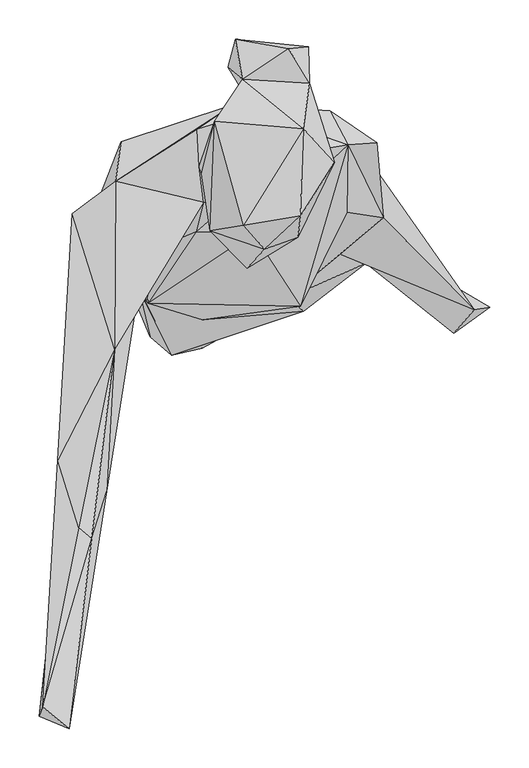
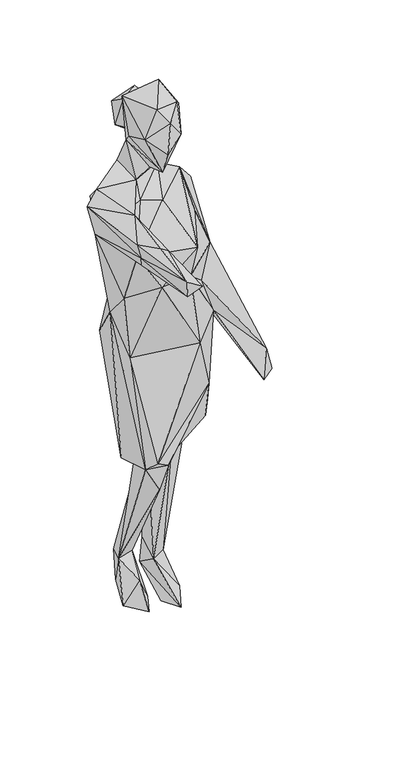
"""IFC4 building model written with IfcOpenShell, lengths in millimetres: geographic element geometry."""

from ifc_helpers import new_model, si_unit, origin, place, context, project, spatial, faceted_brep, source, transform, mapped, element, save


def geographic_element_270b95d4(model_context):
    return source(origin(), model_context, "Body", "Brep", [
        faceted_brep([(-127.8239026, -6.9609237, 1109.1649395), (-104.2994397, -39.650205, 1262.2406327), (-171.9077506, 81.6794177, 1292.9090102), (89.9855632, -43.8928226, 1232.3571291), (29.7958605, 49.1712311, 1359.8418068), (-109.6673892, 23.6239598, 1374.2213079), (-42.9376396, 51.3253727, 1383.1294604), (-34.7230318, -60.7200332, 1148.5335685), (-150.6140511, 33.2753282, 1047.8110184), (-116.6113973, -20.8469534, 910.2353341), (94.2640069, -49.8189622, 905.3798206), (74.1234934, -32.7648963, 1130.4954151), (-74.2687648, -105.9272351, 581.3376832), (-101.6667026, -82.6365938, 555.927687), (173.6221143, 11.339858, 952.1192791), (157.3292147, 9.0364654, 708.0690177), (-35.6553342, -97.2400072, 557.5405886), (21.513594, -52.3044423, 574.6602941), (162.5061462, 35.746872, 579.3446827), (169.0660843, 79.3262785, 957.9270364), (206.1273281, 99.8409006, 580.1585841), (113.6702211, 43.5376162, 573.1200505), (145.7674783, 159.0266655, 581.6749858), (14.3278034, 34.8692942, 584.7185778), (74.6070584, 76.661705, 474.5398105), (138.7667639, 108.5589738, 524.0224535), (47.3931836, 184.1779179, 580.8023739), (165.7885889, 134.4634427, 818.5602921), (104.8038961, 154.8546981, 571.8215633), (-70.1773754, 100.5851465, 692.1691213), (-39.4412572, 180.2497335, 888.1168256), (92.2899533, 173.4599301, 952.0516278), (31.7181717, 149.1733175, 582.4947881), (-127.1632298, 11.3756786, 548.8881997), (-6.1858296, 118.4680373, 568.6505963), (23.1702455, 131.8496151, 551.5010289), (16.8928763, 77.3462569, 110.5738194), (56.3251779, 181.317357, 424.2104239), (25.4159287, 156.4009021, 135.0982471), (-86.8105654, 7.7031841, 529.2919213), (0.4925182, -6.115186, 444.4603567), (-69.1008038, 126.084654, 112.6722531), (-55.6267009, 67.5824574, 420.8284564), (-60.8284876, -91.7088825, 478.3734918), (-18.024178, 138.5040862, 115.725866), (-51.5452654, 184.5470793, 104.6437087), (-15.7118289, 54.0018857, 7.2832996), (-66.465079, 148.001222, 26.5671291), (-30.896315, 159.4913135, 9.4274952), (-42.9615187, 54.3899306, 71.4967316), (-58.811649, -28.7232638, 18.3216778), (-95.0968105, 55.6117736, 1.7919702), (-133.1520511, 121.8599513, 923.9810591), (-123.415111, 88.1906066, 1067.617284), (-22.0309866, 115.0701628, 1063.290106), (-139.2135007, 166.062204, 1361.8438076), (-62.6622431, 180.8357663, 1202.2170872), (51.6497375, 166.5467748, 1183.242664), (58.656431, 102.0577388, 1091.1228522), (4.2844107, 213.6444423, 1375.5993673), (127.989067, 205.9442524, 1267.6811062), (-145.9833962, 116.0581843, 1417.1252076), (-42.1963739, 182.0436843, 1442.4226106), (69.138608, 148.9723306, 1415.3809372), (150.6658029, 162.4116132, 1362.938268), (-201.3553654, 74.208065, 1400.9496993), (-147.3315936, -98.5155838, 1457.6101123), (-33.7877456, 88.89605, 1426.4342609), (-205.455703, -236.6296322, 1414.8057524), (-220.1795253, -240.3648168, 1468.8255605), (-243.7189042, -566.753142, 1495.0961882), (-239.0026719, -554.9386671, 1536.7016602), (-207.8138415, -242.5368696, 1394.0026588), (-193.1676394, -326.7266114, 1497.1558863), (-205.5044596, -582.864933, 1527.6152899), (-176.418034, -340.6902808, 1492.6127011), (-199.4539624, -268.4940663, 1417.7540365), (-180.3462334, -276.5504684, 1434.0129913), (-155.1880072, 29.7650132, 1340.4116465), (-157.5859319, -279.6210016, 1450.9179413), (-39.3119077, 134.5062239, 1539.8983765), (5.7161967, 82.2286521, 1461.8598042), (107.1401225, 118.4431672, 1532.7285339), (32.327104, 205.4218922, 1504.9713664), (88.5149751, 217.772645, 1531.5087844), (16.1486285, 245.9596216, 1593.2038826), (-2.2347392, 261.0804108, 1500.6403738), (48.7821878, 236.4157111, 1473.477107), (100.5990865, 287.7092326, 1546.8046474), (101.8169435, 241.0254896, 1565.4089257), (59.6534081, 285.468545, 1502.6083999), (7.0743527, 297.168579, 1558.2370565), (74.7174984, 284.8436797, 1595.4465669), (93.9267043, 182.7431597, 1671.7918905), (133.7182058, 140.1428265, 1603.400449), (-19.2808432, 192.2950423, 1648.821572), (17.7087651, 59.6165948, 1667.6617655), (90.3477434, 71.5554348, 1662.1374879), (86.7120613, 44.5345933, 1571.0524126), (21.5852314, 4.9868714, 1545.1381016), (14.7914661, 24.7194391, 1474.2173966), (44.2181857, 28.755102, 1631.1455763), (-25.1910628, 52.4198593, 1583.8360591), (-35.9826829, 125.2339467, 1555.5008458), (149.4459491, 76.5641993, 1269.5159755), (196.1028552, 69.2669666, 1143.3486797), (187.8265417, 164.8851464, 1315.2981834), (141.2661654, 22.8856799, 1059.9031317), (312.0366594, -48.1891775, 808.0641527), (183.9152552, 134.4664378, 1149.0021802), (285.4854429, -17.2053033, 759.7635891), (286.258545, -78.0507018, 727.6523619), (331.7801613, -44.8529901, 731.7039876), (312.1948502, -40.1765513, 711.3296302), (2.7272575, 132.7480806, 73.8409152), (34.1210659, -46.5971971, 12.6840862), (81.3948502, 42.0948858, 15.9376895), (57.7291057, 95.0132299, 116.844228), (7.7807926, 20.1932469, 3.6824441), (55.233679, 145.341633, 42.4361633), (105.5600779, 177.4757035, 419.3499036), (63.6204175, 140.5826045, 91.0850231)], [[[0, 1, 2]], [[1, 3, 4]], [[2, 1, 5]], [[6, 5, 1]], [[6, 1, 4]], [[7, 1, 0]], [[3, 1, 7]], [[0, 2, 8]], [[0, 8, 9]], [[0, 9, 7]], [[9, 10, 7]], [[10, 11, 7]], [[7, 11, 3]], [[12, 10, 9]], [[9, 8, 13]], [[12, 9, 13]], [[10, 14, 11]], [[10, 12, 15]], [[15, 14, 10]], [[13, 16, 12]], [[16, 15, 12]], [[17, 18, 15]], [[19, 15, 20]], [[17, 15, 16]], [[20, 15, 18]], [[14, 15, 19]], [[17, 21, 18]], [[18, 21, 22]], [[22, 20, 18]], [[17, 23, 21]], [[17, 16, 23]], [[23, 24, 21]], [[21, 24, 25]], [[22, 21, 25]], [[22, 26, 27]], [[22, 27, 20]], [[22, 28, 26]], [[25, 28, 22]], [[20, 27, 19]], [[27, 29, 30]], [[31, 27, 30]], [[26, 29, 27]], [[27, 31, 19]], [[32, 29, 26]], [[32, 26, 28]], [[33, 30, 29]], [[29, 34, 33]], [[32, 34, 29]], [[32, 28, 35]], [[32, 35, 34]], [[33, 34, 23]], [[35, 23, 34]], [[36, 24, 35]], [[23, 35, 24]], [[35, 37, 38]], [[28, 37, 35]], [[36, 35, 38]], [[23, 39, 33]], [[23, 16, 40]], [[40, 39, 23]], [[41, 13, 39]], [[39, 13, 33]], [[42, 39, 40]], [[41, 39, 42]], [[8, 33, 13]], [[13, 41, 43]], [[16, 13, 43]], [[43, 40, 16]], [[44, 40, 43]], [[41, 44, 43]], [[40, 45, 42]], [[40, 44, 45]], [[42, 45, 41]], [[45, 44, 46]], [[47, 41, 45]], [[47, 45, 48]], [[48, 45, 46]], [[44, 41, 49]], [[49, 46, 44]], [[50, 46, 49]], [[51, 47, 46]], [[47, 48, 46]], [[50, 51, 46]], [[51, 41, 47]], [[49, 41, 51]], [[50, 49, 51]], [[8, 52, 33]], [[2, 53, 8]], [[8, 53, 52]], [[52, 30, 33]], [[52, 53, 30]], [[30, 53, 54]], [[53, 2, 55]], [[54, 53, 56]], [[53, 55, 56]], [[30, 54, 31]], [[57, 54, 56]], [[31, 54, 58]], [[58, 54, 57]], [[55, 59, 56]], [[60, 56, 59]], [[60, 57, 56]], [[59, 55, 61]], [[2, 61, 55]], [[61, 62, 59]], [[63, 59, 62]], [[60, 59, 64]], [[59, 63, 64]], [[65, 61, 2]], [[66, 61, 65]], [[66, 67, 61]], [[61, 67, 62]], [[68, 65, 2]], [[65, 68, 69]], [[69, 66, 65]], [[68, 70, 71]], [[70, 68, 72]], [[69, 68, 71]], [[72, 68, 2]], [[66, 69, 73]], [[73, 69, 71]], [[70, 74, 71]], [[75, 71, 74]], [[71, 75, 73]], [[76, 74, 70]], [[72, 76, 70]], [[2, 76, 72]], [[74, 76, 77]], [[76, 2, 78]], [[77, 76, 78]], [[75, 74, 79]], [[79, 74, 77]], [[75, 66, 73]], [[79, 66, 75]], [[66, 79, 5]], [[79, 78, 5]], [[78, 79, 77]], [[2, 5, 78]], [[66, 5, 67]], [[5, 6, 67]], [[62, 67, 80]], [[67, 63, 81]], [[81, 80, 67]], [[67, 6, 63]], [[6, 4, 63]], [[81, 63, 82]], [[63, 83, 82]], [[4, 64, 63]], [[63, 62, 83]], [[80, 83, 62]], [[84, 82, 83]], [[80, 85, 83]], [[83, 85, 86]], [[87, 84, 83]], [[87, 83, 86]], [[88, 84, 87]], [[89, 82, 84]], [[89, 84, 88]], [[87, 86, 90]], [[88, 87, 90]], [[86, 91, 90]], [[85, 91, 86]], [[88, 90, 91]], [[88, 92, 89]], [[88, 91, 92]], [[85, 93, 89]], [[89, 94, 82]], [[94, 89, 93]], [[92, 85, 89]], [[92, 91, 85]], [[80, 95, 85]], [[93, 85, 95]], [[95, 96, 93]], [[96, 97, 93]], [[93, 97, 94]], [[98, 82, 94]], [[98, 94, 97]], [[82, 98, 81]], [[99, 100, 98]], [[100, 81, 98]], [[101, 98, 97]], [[99, 98, 101]], [[97, 96, 101]], [[101, 96, 102]], [[102, 96, 95]], [[102, 99, 101]], [[100, 99, 102]], [[100, 102, 103]], [[100, 80, 81]], [[100, 103, 80]], [[103, 102, 95]], [[103, 95, 80]], [[64, 4, 3]], [[64, 3, 104]], [[104, 3, 11]], [[64, 104, 105]], [[106, 60, 64]], [[64, 105, 106]], [[11, 105, 104]], [[14, 107, 11]], [[107, 105, 11]], [[108, 105, 107]], [[105, 109, 106]], [[109, 105, 108]], [[106, 109, 60]], [[57, 60, 58]], [[58, 60, 109]], [[108, 19, 109]], [[19, 31, 109]], [[109, 31, 58]], [[108, 110, 19]], [[111, 19, 110]], [[111, 14, 19]], [[112, 110, 108]], [[112, 113, 110]], [[110, 113, 111]], [[108, 14, 111]], [[112, 108, 111]], [[112, 111, 113]], [[107, 14, 108]], [[114, 115, 36]], [[36, 115, 116]], [[36, 38, 114]], [[117, 36, 116]], [[24, 36, 117]], [[118, 116, 115]], [[115, 114, 118]], [[119, 114, 38]], [[114, 119, 118]], [[120, 121, 38]], [[38, 121, 119]], [[38, 37, 120]], [[119, 121, 116]], [[118, 119, 116]], [[116, 121, 117]], [[24, 117, 25]], [[117, 121, 25]], [[121, 120, 25]], [[25, 120, 28]], [[120, 37, 28]]]),
    ])


if __name__ == "__main__":
    model = new_model("IFC4")
    model_context = context("Model", 3, world=origin())
    ifc_project = project(units=[si_unit("LENGTHUNIT", "METRE", prefix="MILLI")], contexts=[model_context])
    site = spatial("IfcSite", under=ifc_project)
    building = spatial("IfcBuilding", under=site)
    placement = place(None, origin())
    geographic_element_shape = geographic_element_270b95d4(model_context)
    element("IfcGeographicElement", 1, at=placement, inside=building, context=model_context, shape_type="MappedRepresentation", body=[
        mapped(geographic_element_shape, transform((0.0, 0.0, 0.0), x_axis=(1.0, 0.0, 0.0), y_axis=(0.0, 1.0, 0.0), z_axis=(0.0, 0.0, 1.0))),
    ])
    save(model, "model.ifc")
